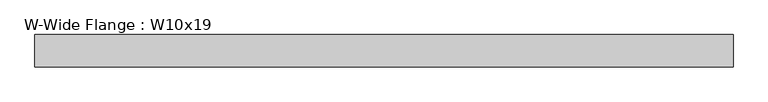
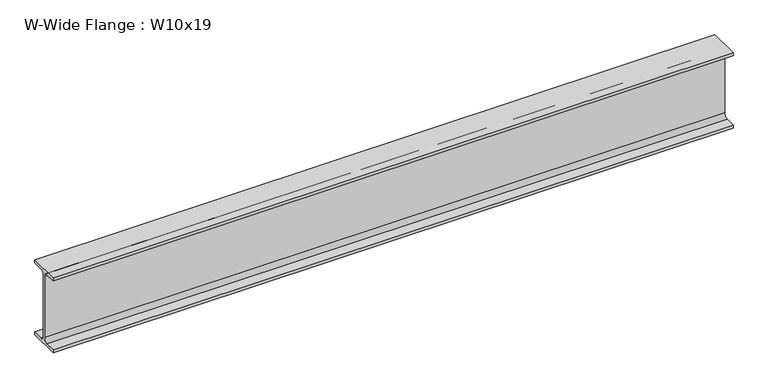
"""IFC4 building model written with IfcOpenShell, lengths in millimetres: beam geometry, W-Wide Flange : W10x19."""

from ifc_helpers import new_model, si_unit, point, frame, frame_2d, origin, place, context, project, spatial, polyline, circle_curve, trimmed, segment, composite_curve, outline, extrude, source, transform, mapped, element, save


def w_wide_flange_w10x19_29df9329(model_context):
    return source(origin(), model_context, "Body", "SweptSolid", [
        extrude(outline(composite_curve([segment(polyline([(51.054, -119.507), (51.054, -129.54), (-51.054, -129.54), (-51.054, -119.507), (-16.9545, -119.507)]), True, "CONTINUOUS"), segment(trimmed(circle_curve(frame_2d((-16.9545, -105.7275)), 13.7795), [point((-16.9545, -119.507))], [point((-3.175, -105.7275))], True, "CARTESIAN"), True, "CONTINUOUS"), segment(polyline([(-3.175, -105.7275), (-3.175, 105.7275)]), True, "CONTINUOUS"), segment(trimmed(circle_curve(frame_2d((-16.9545, 105.7275)), 13.7795), [point((-3.175, 105.7275))], [point((-16.9545, 119.507))], True, "CARTESIAN"), True, "CONTINUOUS"), segment(polyline([(-16.9545, 119.507), (-51.054, 119.507), (-51.054, 129.54), (51.054, 129.54), (51.054, 119.507), (16.9545, 119.507)]), True, "CONTINUOUS"), segment(trimmed(circle_curve(frame_2d((16.9545, 105.7275)), 13.7795), [point((16.9545, 119.507))], [point((3.175, 105.7275))], True, "CARTESIAN"), True, "CONTINUOUS"), segment(polyline([(3.175, 105.7275), (3.175, -105.7275)]), True, "CONTINUOUS"), segment(trimmed(circle_curve(frame_2d((16.9545, -105.7275)), 13.7795), [point((3.175, -105.7275))], [point((16.9545, -119.507))], True, "CARTESIAN"), True, "CONTINUOUS"), segment(polyline([(16.9545, -119.507), (51.054, -119.507)]), True, "CONTINUOUS")], self_intersect=False)), frame((-1105.69375, 0.0, 0.0), z_axis=(1.0, 0.0, 0.0), x_axis=(0.0, 1.0, 0.0)), (0.0, 0.0, 1.0), 2216.15),
    ])


if __name__ == "__main__":
    model = new_model("IFC4")
    model_context = context("Model", 3, world=origin())
    ifc_project = project(units=[si_unit("LENGTHUNIT", "METRE", prefix="MILLI")], contexts=[model_context])
    site = spatial("IfcSite", under=ifc_project)
    building = spatial("IfcBuilding", under=site)
    placement = place(None, origin())
    w_wide_flange_w10x19_shape = w_wide_flange_w10x19_29df9329(model_context)
    element("IfcBeam", 1, ObjectType="W-Wide Flange : W10x19", at=placement, inside=building, context=model_context, shape_type="MappedRepresentation", body=[
        mapped(w_wide_flange_w10x19_shape, transform((0.0, 0.0, 0.0), x_axis=(1.0, 0.0, 0.0), y_axis=(0.0, 1.0, 0.0), z_axis=(0.0, 0.0, 1.0))),
    ])
    save(model, "model.ifc")
